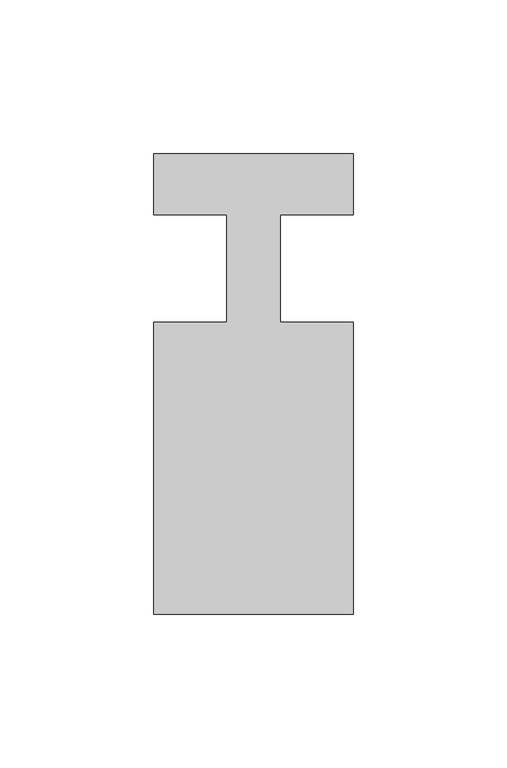
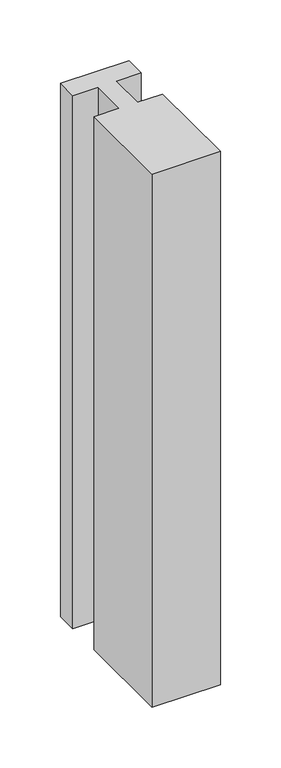
"""IFC4 building model written with IfcOpenShell, lengths in millimetres: member geometry."""

from ifc_helpers import new_model, si_unit, frame, origin, place, context, project, spatial, polyline, outline, extrude, source, transform, mapped, element, save


def member_8dbea999(model_context):
    return source(origin(), model_context, "Body", "SweptSolid", [
        extrude(outline(polyline([(-65.0, 37.0), (0.0, 37.0), (0.0, 17.0), (-23.8125, 17.0), (-23.8125, -18.0), (0.0, -18.0), (0.0, -113.0), (-65.0, -113.0), (-65.0, -18.0), (-41.1875, -18.0), (-41.1875, 17.0), (-65.0, 17.0), (-65.0, 37.0)])), frame((0.0, 0.0, -535.0), z_axis=(0.0, 0.0, 1.0), x_axis=(1.0, 0.0, 0.0)), (0.0, 0.0, 1.0), 535.0),
    ])


if __name__ == "__main__":
    model = new_model("IFC4")
    model_context = context("Model", 3, world=origin())
    ifc_project = project(units=[si_unit("LENGTHUNIT", "METRE", prefix="MILLI")], contexts=[model_context])
    site = spatial("IfcSite", under=ifc_project)
    building = spatial("IfcBuilding", under=site)
    placement = place(None, origin())
    member_shape = member_8dbea999(model_context)
    element("IfcMember", 1, at=placement, inside=building, context=model_context, shape_type="MappedRepresentation", body=[
        mapped(member_shape, transform((0.0, 0.0, 0.0), x_axis=(1.0, 0.0, 0.0), y_axis=(0.0, 1.0, 0.0), z_axis=(0.0, 0.0, 1.0))),
    ])
    save(model, "model.ifc")
